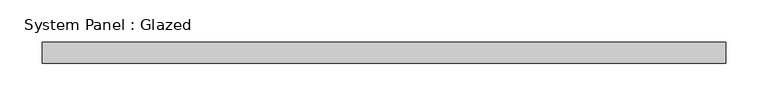
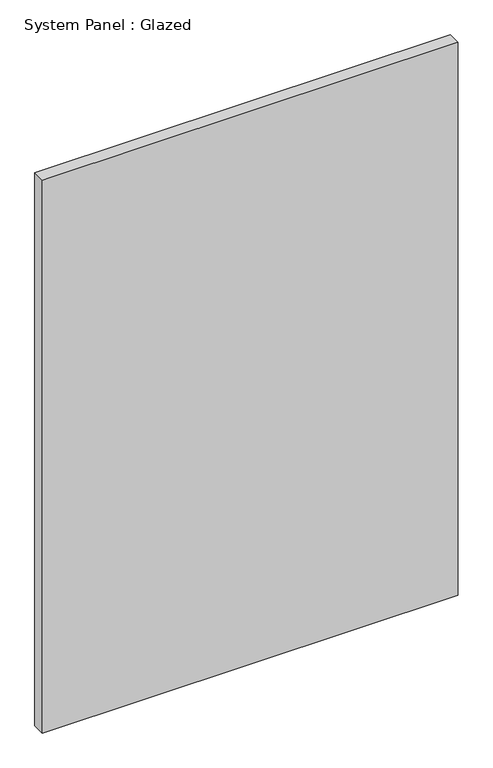
"""IFC4 building model written with IfcOpenShell, lengths in millimetres: plate geometry, System Panel : Glazed."""

from ifc_helpers import new_model, si_unit, origin, origin_with_axes, place, context, project, spatial, polyline, outline, extrude, source, transform, mapped, element, save


def system_panel_glazed_4c2df9d2(model_context):
    return source(origin(), model_context, "Body", "SweptSolid", [
        extrude(outline(polyline([(406.4, -12.7), (-406.4, -12.7), (-406.4, 12.7), (406.4, 12.7), (406.4, -12.7)])), origin_with_axes(), (0.0, 0.0, 1.0), 1143.0),
    ])


if __name__ == "__main__":
    model = new_model("IFC4")
    model_context = context("Model", 3, world=origin())
    ifc_project = project(units=[si_unit("LENGTHUNIT", "METRE", prefix="MILLI")], contexts=[model_context])
    site = spatial("IfcSite", under=ifc_project)
    building = spatial("IfcBuilding", under=site)
    placement = place(None, origin())
    system_panel_glazed_shape = system_panel_glazed_4c2df9d2(model_context)
    element("IfcPlate", 1, ObjectType="System Panel : Glazed", at=placement, inside=building, context=model_context, shape_type="MappedRepresentation", body=[
        mapped(system_panel_glazed_shape, transform((0.0, 0.0, 0.0), x_axis=(1.0, 0.0, 0.0), y_axis=(0.0, 1.0, 0.0), z_axis=(0.0, 0.0, 1.0))),
    ])
    save(model, "model.ifc")
